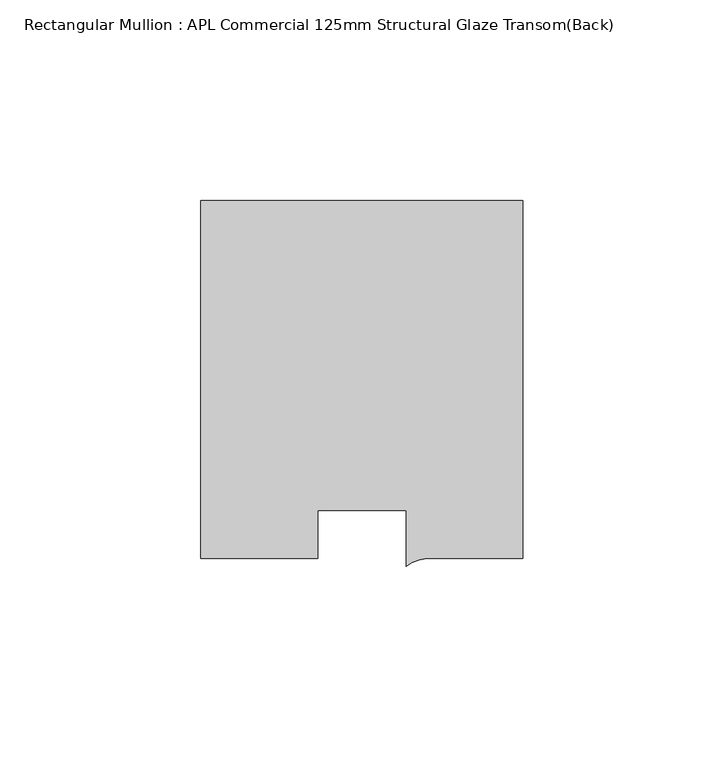
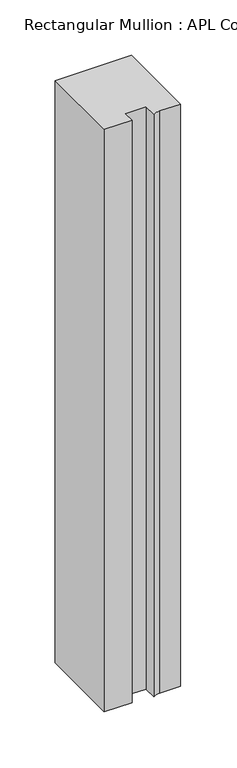
"""IFC4 building model written with IfcOpenShell, lengths in millimetres: member geometry, Rectangular Mullion : APL Commercial 125mm Structural Glaze Transom(Back)."""

from ifc_helpers import new_model, si_unit, point, frame, frame_2d, origin, place, context, project, spatial, polyline, circle_curve, trimmed, segment, composite_curve, outline, extrude, source, transform, mapped, element, save


def rectangular_mullion_apl_commercial_125mm_structural_glaze_cad3d2d0(model_context):
    return source(origin(), model_context, "Body", "SweptSolid", [
        extrude(outline(composite_curve([segment(polyline([(40.0, 104.0), (40.0, 15.0000829), (17.9999542, 15.0000829)]), True, "CONTINUOUS"), segment(trimmed(circle_curve(frame_2d((17.1097719, 4.581653)), 10.4563907), [point((17.9999542, 15.0000829))], [point((11.0000151, 13.0673455))], True, "CARTESIAN"), True, "CONTINUOUS"), segment(polyline([(11.0000151, 13.0673455), (11.0000151, 27.0), (-11.0000151, 27.0), (-11.0000151, 15.0000829), (-40.0, 15.0000829), (-40.0, 104.0), (40.0, 104.0)]), True, "CONTINUOUS")], self_intersect=False)), frame((0.0, 0.0, -644.0249631), z_axis=(0.0, 0.0, 1.0), x_axis=(1.0, 0.0, 0.0)), (0.0, 0.0, 1.0), 644.0249631),
    ])


if __name__ == "__main__":
    model = new_model("IFC4")
    model_context = context("Model", 3, world=origin())
    ifc_project = project(units=[si_unit("LENGTHUNIT", "METRE", prefix="MILLI")], contexts=[model_context])
    site = spatial("IfcSite", under=ifc_project)
    building = spatial("IfcBuilding", under=site)
    placement = place(None, origin())
    rectangular_mullion_apl_commercial_125mm_structural_glaze_shape = rectangular_mullion_apl_commercial_125mm_structural_glaze_cad3d2d0(model_context)
    element("IfcMember", 1, ObjectType="Rectangular Mullion : APL Commercial 125mm Structural Glaze Transom(Back)", at=placement, inside=building, context=model_context, shape_type="MappedRepresentation", body=[
        mapped(rectangular_mullion_apl_commercial_125mm_structural_glaze_shape, transform((0.0, 0.0, 0.0), x_axis=(1.0, 0.0, 0.0), y_axis=(0.0, 1.0, 0.0), z_axis=(0.0, 0.0, 1.0))),
    ])
    save(model, "model.ifc")
